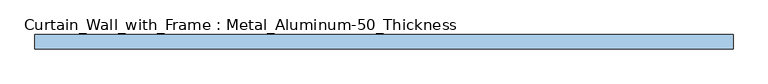
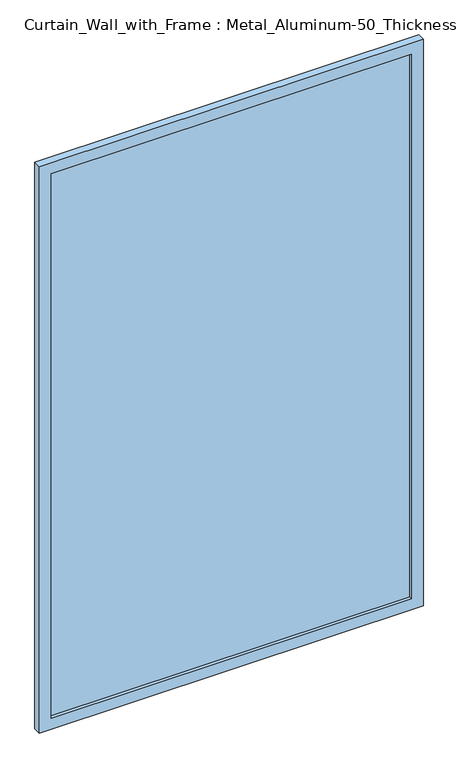
"""IFC4 building model written with IfcOpenShell, lengths in millimetres: window geometry, Curtain_Wall_with_Frame : Metal_Aluminum-50_Thickness."""

from ifc_helpers import new_model, si_unit, frame, origin, place, context, project, spatial, polyline, outline, extrude, source, transform, mapped, element, save


def curtain_wall_with_frame_metal_aluminum_50_thickness_df5bdca5(model_context):
    return source(origin(), model_context, "Body", "SweptSolid", [
        extrude(outline(polyline([(1150.0, -30.95), (-1150.0, -30.95), (-1150.0, -18.25), (1150.0, -18.25), (1150.0, -30.95)])), frame((0.0, 0.0, 75.0), z_axis=(0.0, 0.0, 1.0), x_axis=(1.0, 0.0, 0.0)), (0.0, 0.0, 1.0), 3670.0),
        extrude(outline(polyline([(3820.0, -1225.0), (0.0, -1225.0), (0.0, 1225.0), (3820.0, 1225.0), (3820.0, -1225.0)]), holes=[polyline([(3745.0, -1150.0), (3745.0, 1150.0), (75.0, 1150.0), (75.0, -1150.0), (3745.0, -1150.0)])]), frame((0.0, -50.0, 0.0), z_axis=(0.0, 1.0, 0.0), x_axis=(0.0, 0.0, 1.0)), (0.0, 0.0, 1.0), 50.0),
    ])


if __name__ == "__main__":
    model = new_model("IFC4")
    model_context = context("Model", 3, world=origin())
    ifc_project = project(units=[si_unit("LENGTHUNIT", "METRE", prefix="MILLI")], contexts=[model_context])
    site = spatial("IfcSite", under=ifc_project)
    building = spatial("IfcBuilding", under=site)
    placement = place(None, origin())
    curtain_wall_with_frame_metal_aluminum_50_thickness_shape = curtain_wall_with_frame_metal_aluminum_50_thickness_df5bdca5(model_context)
    element("IfcWindow", 1, ObjectType="Curtain_Wall_with_Frame : Metal_Aluminum-50_Thickness", at=placement, inside=building, context=model_context, shape_type="MappedRepresentation", body=[
        mapped(curtain_wall_with_frame_metal_aluminum_50_thickness_shape, transform((0.0, 0.0, 0.0), x_axis=(1.0, 0.0, 0.0), y_axis=(0.0, 1.0, 0.0), z_axis=(0.0, 0.0, 1.0))),
    ])
    save(model, "model.ifc")
